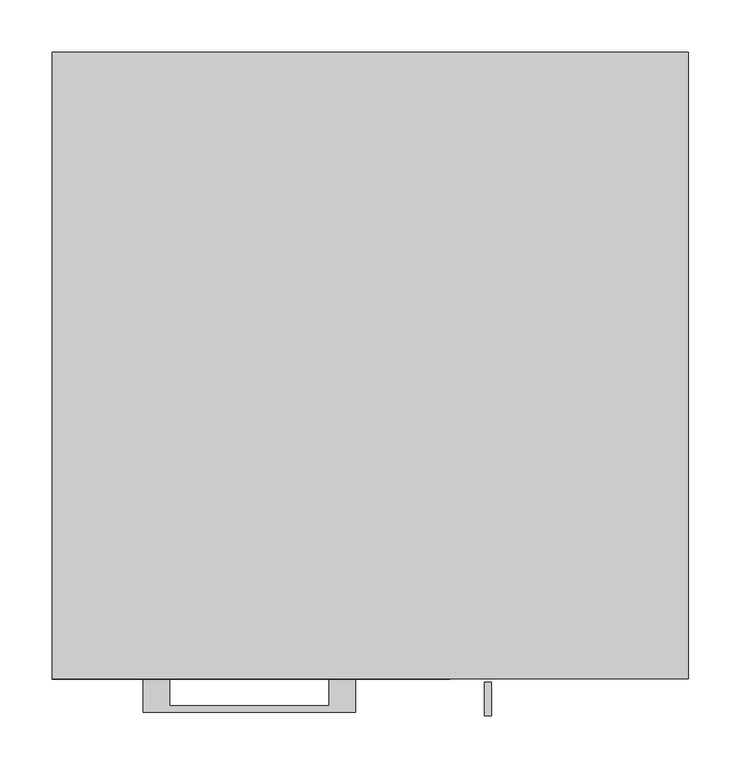
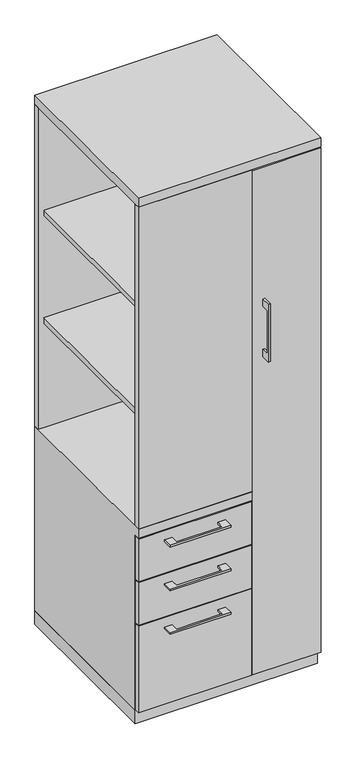
"""IFC4 building model written with IfcOpenShell, lengths in millimetres: furniture geometry."""

import ifcopenshell
import ifcopenshell.guid

model = None  # the IFC model being written
_history = None  # IfcOwnerHistory: only IFC2X3 demands one
_inside = {}  # id of a spatial element -> (the spatial element, [elements in it])
_under = {}  # id of a project, library or spatial element -> (it, [spatial elements below it])
_declared = {}  # id of a project -> (the project, [libraries it declares])
_typed = {}  # id of a type object -> (the type object, [elements of that type])
_made_of = {}  # id of a material, layer set ... -> (it, [elements and type objects made of it])


def new_model(schema):
    """Start an empty IFC model of exactly this schema.

    Asked for "IFC4X3", IfcOpenShell would pick the latest addendum, in which some entities
    have other attributes; the version numbers below select the first issue.
    IFC2X3 requires an IfcOwnerHistory on every rooted entity: one is made here for all.
    """
    global model, _history
    if schema == "IFC4X3":
        model = ifcopenshell.file(schema_version=(4, 3, 0, 0))
    else:
        model = ifcopenshell.file(schema=schema)
    _inside.clear()
    _under.clear()
    _declared.clear()
    _typed.clear()
    _made_of.clear()
    _history = None
    if model.schema == "IFC2X3":
        org = make("IfcOrganization", Name="unknown")
        user = make(
            "IfcPersonAndOrganization",
            ThePerson=make("IfcPerson", FamilyName="unknown"),
            TheOrganization=org,
        )
        app = make(
            "IfcApplication",
            ApplicationDeveloper=org,
            Version="unknown",
            ApplicationFullName="unknown",
            ApplicationIdentifier="unknown",
        )
        _history = make(
            "IfcOwnerHistory",
            OwningUser=user,
            OwningApplication=app,
            ChangeAction="ADDED",
            CreationDate=0,
        )
    return model


def make(cls, **values):
    """One entity of the class cls with the attributes given. An attribute that is None is left unset."""
    return model.create_entity(
        cls, **{name: value for name, value in values.items() if value is not None}
    )


def rooted(cls, **values):
    """An entity with a GlobalId (a new one), such as an element, a storey or a relation."""
    return make(cls, GlobalId=ifcopenshell.guid.new(), OwnerHistory=_history, **values)


def si_unit(unit_type, name, prefix=None):
    """IfcSIUnit, for example si_unit("LENGTHUNIT", "METRE", prefix="MILLI")."""
    return make("IfcSIUnit", UnitType=unit_type, Prefix=prefix, Name=name)


def assignment(units):
    """IfcUnitAssignment: the units of a project."""
    return None if units is None else make("IfcUnitAssignment", Units=units)


def point(xyz):
    """IfcCartesianPoint."""
    return None if xyz is None else make("IfcCartesianPoint", Coordinates=xyz)


def direction(xyz):
    """IfcDirection."""
    return None if xyz is None else make("IfcDirection", DirectionRatios=xyz)


def frame(location, z_axis=None, x_axis=None):
    """IfcAxis2Placement3D, a coordinate frame: its origin and axes. An axis left out is left unset."""
    return make(
        "IfcAxis2Placement3D",
        Location=point(location),
        Axis=direction(z_axis),
        RefDirection=direction(x_axis),
    )


def origin():
    """The frame at (0, 0, 0) with its axes left unset."""
    return frame((0.0, 0.0, 0.0))


def origin_with_axes():
    """The frame at (0, 0, 0) with the z axis (0, 0, 1) and the x axis (1, 0, 0) written out."""
    return frame((0.0, 0.0, 0.0), z_axis=(0.0, 0.0, 1.0), x_axis=(1.0, 0.0, 0.0))


def place(relative_to, where):
    """IfcLocalPlacement: puts the frame where relative to a parent placement (None: the world)."""
    return make(
        "IfcLocalPlacement", PlacementRelTo=relative_to, RelativePlacement=where
    )


def context(
    kind, dimensions, precision=None, world=None, true_north=None, identifier=None
):
    """IfcGeometricRepresentationContext, for example the 3D "Model" context."""
    return make(
        "IfcGeometricRepresentationContext",
        ContextIdentifier=identifier,
        ContextType=kind,
        CoordinateSpaceDimension=dimensions,
        Precision=precision,
        WorldCoordinateSystem=world,
        TrueNorth=true_north,
    )


def project(units=None, contexts=None):
    """IfcProject with its units and contexts."""
    return rooted(
        "IfcProject",
        Name="project",
        RepresentationContexts=contexts,
        UnitsInContext=assignment(units),
    )


def spatial(cls, under=None, at=None, **own):
    """A site, building, storey or space (cls), placed at a placement, below another one or the project."""
    s = rooted(cls, ObjectPlacement=at, **own)
    if under is not None:
        _under.setdefault(under.id(), (under, []))[1].append(s)
    return s


def polyline(points):
    """IfcPolyline through the points."""
    return make("IfcPolyline", Points=[point(p) for p in points])


def outline(outer, holes=None, kind="AREA"):
    """IfcArbitraryClosedProfileDef: a profile drawn as a closed curve; with holes, ...WithVoids."""
    if holes is None:
        return make("IfcArbitraryClosedProfileDef", ProfileType=kind, OuterCurve=outer)
    return make(
        "IfcArbitraryProfileDefWithVoids",
        ProfileType=kind,
        OuterCurve=outer,
        InnerCurves=holes,
    )


def extrude(swept, where, along, depth):
    """IfcExtrudedAreaSolid: the profile swept, set in the frame where, extruded along a direction by depth."""
    return make(
        "IfcExtrudedAreaSolid",
        SweptArea=swept,
        Position=where,
        ExtrudedDirection=direction(along),
        Depth=depth,
    )


def faces_of(points, faces, orient=None, outer=None):
    """IfcFace entities. A face is a list of loops; a loop is a list of indices into points, from 0.

    orient and outer hold one flag for each loop. By default every Orientation is true, the
    first loop of a face is its IfcFaceOuterBound and the others are IfcFaceBound.
    """
    made = []
    for i, loops in enumerate(faces):
        bounds = []
        for j, loop in enumerate(loops):
            is_outer = j == 0 if outer is None else outer[i][j]
            bounds.append(
                make(
                    "IfcFaceOuterBound" if is_outer else "IfcFaceBound",
                    Bound=make("IfcPolyLoop", Polygon=[points[k] for k in loop]),
                    Orientation=True if orient is None else orient[i][j],
                )
            )
        made.append(make("IfcFace", Bounds=bounds))
    return made


def faceted_brep(points, faces, orient=None, outer=None, voids=None):
    """IfcFacetedBrep: a solid bounded by flat faces; with voids (closed shells), ...WithVoids."""
    shared = [point(p) for p in points]
    hull = make("IfcClosedShell", CfsFaces=faces_of(shared, faces, orient, outer))
    if voids is None:
        return make("IfcFacetedBrep", Outer=hull)
    return make(
        "IfcFacetedBrepWithVoids",
        Outer=hull,
        Voids=[
            make(cls, CfsFaces=faces_of(shared, fs, o, b)) for cls, fs, o, b in voids
        ],
    )


def shape(context_of_items, identifier, shape_type, items):
    """IfcShapeRepresentation: the items that make up one representation, for example the "Body"."""
    return make(
        "IfcShapeRepresentation",
        ContextOfItems=context_of_items,
        RepresentationIdentifier=identifier,
        RepresentationType=shape_type,
        Items=items,
    )


def source(mapping_origin, context_of_items, identifier, shape_type, items):
    """IfcRepresentationMap: a shape defined once, which mapped items show again and again."""
    return make(
        "IfcRepresentationMap",
        MappingOrigin=mapping_origin,
        MappedRepresentation=shape(context_of_items, identifier, shape_type, items),
    )


def transform(
    local_origin,
    x_axis=None,
    y_axis=None,
    z_axis=None,
    scale=None,
    scale2=None,
    scale3=None,
    uniform=True,
):
    """IfcCartesianTransformationOperator3D, or its non-uniform kind. x_axis, y_axis, z_axis: its Axis1, 2, 3."""
    if uniform:
        return make(
            "IfcCartesianTransformationOperator3D",
            Axis1=direction(x_axis),
            Axis2=direction(y_axis),
            LocalOrigin=point(local_origin),
            Scale=scale,
            Axis3=direction(z_axis),
        )
    return make(
        "IfcCartesianTransformationOperator3DnonUniform",
        Axis1=direction(x_axis),
        Axis2=direction(y_axis),
        LocalOrigin=point(local_origin),
        Scale=scale,
        Axis3=direction(z_axis),
        Scale2=scale2,
        Scale3=scale3,
    )


def mapped(mapping_source, mapping_target):
    """IfcMappedItem: shows the shape of a source again, moved by a transform."""
    return make(
        "IfcMappedItem", MappingSource=mapping_source, MappingTarget=mapping_target
    )


def made_of(thing, what):
    """Note that an element or type object is made of a material, layer set ...; save() writes the relation."""
    if what is not None:
        _made_of.setdefault(what.id(), (what, []))[1].append(thing)
    return thing


def element(
    cls,
    number,
    at=None,
    inside=None,
    cuts=None,
    type_object=None,
    material=None,
    context=None,
    identifier="Body",
    shape_type=None,
    held_by="IfcProductDefinitionShape",
    body=None,
    shapes=None,
    **own,
):
    """One element of the class cls, such as IfcWall. Its Tag is "e" and its number.

    at: its placement. inside: the storey or other place that contains it. cuts: it is an
    opening in that element (IfcRelVoidsElement). A single representation is given by context,
    identifier, shape_type and body (its items); several are given by shapes. held_by: the class
    of the entity that holds the representations. save() writes the other relations.
    """
    e = rooted(cls, Tag="e%d" % number, ObjectPlacement=at, **own)
    if body is not None:
        shapes = [shape(context, identifier, shape_type, body)]
    if shapes is not None:
        e.Representation = make(held_by, Representations=shapes)
    if inside is not None:
        _inside.setdefault(inside.id(), (inside, []))[1].append(e)
    if cuts is not None:
        rooted(
            "IfcRelVoidsElement", RelatingBuildingElement=cuts, RelatedOpeningElement=e
        )
    if type_object is not None:
        _typed.setdefault(type_object.id(), (type_object, []))[1].append(e)
    return made_of(e, material)


def aggregate(whole, parts):
    """IfcRelAggregates: a whole, such as a stair, and the parts it consists of."""
    return rooted("IfcRelAggregates", RelatingObject=whole, RelatedObjects=parts)


def save(model, path):
    """Write the relations noted so far, then the file.

    IfcRelAggregates (storeys below a building ...), IfcRelContainedInSpatialStructure (elements
    in a storey), IfcRelDefinesByType, IfcRelAssociatesMaterial and IfcRelDeclares: one each for
    every whole, place, type object, material and project.
    """
    for whole, parts in _under.values():
        aggregate(whole, parts)
    for where, things in _inside.values():
        rooted(
            "IfcRelContainedInSpatialStructure",
            RelatedElements=things,
            RelatingStructure=where,
        )
    for kind, things in _typed.values():
        rooted("IfcRelDefinesByType", RelatedObjects=things, RelatingType=kind)
    for what, things in _made_of.values():
        rooted("IfcRelAssociatesMaterial", RelatedObjects=things, RelatingMaterial=what)
    for by, libraries in _declared.values():
        rooted("IfcRelDeclares", RelatingContext=by, RelatedDefinitions=libraries)
    model.write(path)


def furniture_f821ce84(model_context):
    return source(origin(), model_context, "Body", "SolidModel", [
        extrude(outline(polyline([(57.15, -579.4375), (-285.75, -579.4375), (-285.75, -17.4625), (57.15, -17.4625), (57.15, -579.4375)])), frame((0.0, 0.0, 1446.7416667), z_axis=(0.0, 0.0, 1.0), x_axis=(1.0, 0.0, 0.0)), (0.0, 0.0, 1.0), 19.05),
        extrude(outline(polyline([(-192.0874818, -600.075), (-192.0874818, -625.4749758), (-39.6875, -625.4749758), (-39.6875, -600.075), (-14.2875061, -600.075), (-14.2875061, -631.8249879), (-217.4874939, -631.8249879), (-217.4874939, -600.075), (-192.0874818, -600.075)])), frame((0.0, 0.0, 623.8875506), z_axis=(0.0, 0.0, 1.0), x_axis=(1.0, 0.0, 0.0)), (0.0, 0.0, 1.0), 6.3499758),
        extrude(outline(polyline([(73.025, -581.025), (73.025, -600.075), (-304.8, -600.075), (-304.8, -581.025), (73.025, -581.025)])), frame((0.0, 0.0, 512.7625), z_axis=(0.0, 0.0, 1.0), x_axis=(1.0, 0.0, 0.0)), (0.0, 0.0, 1.0), 150.8125),
        extrude(outline(polyline([(57.15, -581.025), (-285.75, -581.025), (-285.75, -19.05), (57.15, -19.05), (57.15, -581.025)])), frame((0.0, 0.0, 1067.8583333), z_axis=(0.0, 0.0, 1.0), x_axis=(1.0, 0.0, 0.0)), (0.0, 0.0, 1.0), 19.05),
        extrude(outline(polyline([(-192.0874818, -600.075), (-192.0874818, -625.4749758), (-39.6875, -625.4749758), (-39.6875, -600.075), (-14.2875061, -600.075), (-14.2875061, -631.8249879), (-217.4874939, -631.8249879), (-217.4874939, -600.075), (-192.0874818, -600.075)])), frame((0.0, 0.0, 469.9000506), z_axis=(0.0, 0.0, 1.0), x_axis=(1.0, 0.0, 0.0)), (0.0, 0.0, 1.0), 6.3499758),
        extrude(outline(polyline([(73.025, -581.025), (73.025, -600.075), (-304.8, -600.075), (-304.8, -581.025), (73.025, -581.025)])), frame((0.0, 0.0, 358.775), z_axis=(0.0, 0.0, 1.0), x_axis=(1.0, 0.0, 0.0)), (0.0, 0.0, 1.0), 150.8125),
        extrude(outline(polyline([(-603.25, 1343.025), (-628.6499758, 1343.025), (-628.6499758, 1190.625), (-603.25, 1190.625), (-603.25, 1165.225), (-634.9999879, 1165.225), (-634.9999879, 1368.425), (-603.25, 1368.425), (-603.25, 1343.025)])), frame((109.5375121, 0.0, 0.0), z_axis=(1.0, 0.0, 0.0), x_axis=(0.0, 1.0, 0.0)), (0.0, 0.0, 1.0), 6.3499758),
        extrude(outline(polyline([(304.8, -600.075), (76.2, -600.075), (76.2, -581.025), (304.8, -581.025), (304.8, -600.075)])), frame((0.0, 0.0, 50.8), z_axis=(0.0, 0.0, 1.0), x_axis=(1.0, 0.0, 0.0)), (0.0, 0.0, 1.0), 1781.175),
        extrude(outline(polyline([(-192.0874818, -600.075), (-192.0874818, -625.4749758), (-39.6875, -625.4749758), (-39.6875, -600.075), (-14.2875061, -600.075), (-14.2875061, -631.8249879), (-217.4874939, -631.8249879), (-217.4874939, -600.075), (-192.0874818, -600.075)])), frame((0.0, 0.0, 315.9125506), z_axis=(0.0, 0.0, 1.0), x_axis=(1.0, 0.0, 0.0)), (0.0, 0.0, 1.0), 6.3499758),
        extrude(outline(polyline([(73.025, -581.025), (73.025, -600.075), (-304.8, -600.075), (-304.8, -581.025), (73.025, -581.025)])), frame((0.0, 0.0, 50.8), z_axis=(0.0, 0.0, 1.0), x_axis=(1.0, 0.0, 0.0)), (0.0, 0.0, 1.0), 304.8),
        faceted_brep([(-304.8, -581.025, 47.625), (-304.8, 0.0, 47.625), (76.2, 0.0, 47.625), (76.2, -581.025, 47.625), (-304.8, 0.0, 698.5), (76.2, 0.0, 698.5), (-304.8, -581.025, 666.75), (-304.8, -600.075, 666.75), (-304.8, -600.075, 698.5), (76.2, -581.025, 666.75), (57.15, -581.025, 666.75), (76.2, -581.025, 1835.15), (57.15, -581.025, 1835.15), (57.15, -581.025, 698.5), (76.2, -581.025, 698.5), (76.2, -19.05, 698.5), (76.2, -19.05, 1835.15), (76.2, -600.075, 698.5), (76.2, -600.075, 666.75), (57.15, -19.05, 1835.15), (57.15, -19.05, 698.5)], [[[0, 1, 2, 3]], [[2, 1, 4, 5]], [[4, 1, 0, 6, 7, 8]], [[6, 0, 3, 9, 10]], [[11, 12, 13, 14]], [[2, 5, 15, 16, 11, 14, 17, 18, 9, 3]], [[16, 19, 12, 11]], [[19, 16, 15, 20]], [[12, 19, 20, 13]], [[5, 4, 8, 17, 14, 13, 20, 15]], [[18, 7, 6, 10, 9]], [[17, 8, 7, 18]]]),
        extrude(outline(polyline([(76.2, 0.0), (76.2, -19.05), (-304.8, -19.05), (-304.8, 0.0), (76.2, 0.0)])), frame((0.0, 0.0, 698.5), z_axis=(0.0, 0.0, 1.0), x_axis=(1.0, 0.0, 0.0)), (0.0, 0.0, 1.0), 1136.65),
        extrude(outline(polyline([(76.2, -600.075), (-304.8, -600.075), (-304.8, -581.025), (76.2, -581.025), (76.2, -600.075)])), frame((0.0, 0.0, 698.5), z_axis=(0.0, 0.0, 1.0), x_axis=(1.0, 0.0, 0.0)), (0.0, 0.0, 1.0), 1136.65),
        extrude(outline(polyline([(304.8, 0.0), (304.8, -581.025), (285.75, -581.025), (285.75, -19.05), (76.2, -19.05), (76.2, 0.0), (304.8, 0.0)])), frame((0.0, 0.0, 47.625), z_axis=(0.0, 0.0, 1.0), x_axis=(1.0, 0.0, 0.0)), (0.0, 0.0, 1.0), 1787.525),
        extrude(outline(polyline([(304.8, 0.0), (304.8, -600.075), (-304.8, -600.075), (-304.8, 0.0), (304.8, 0.0)])), frame((0.0, 0.0, 1835.15), z_axis=(0.0, 0.0, 1.0), x_axis=(1.0, 0.0, 0.0)), (0.0, 0.0, 1.0), 31.75),
        extrude(outline(polyline([(304.8, 0.0), (304.8, -581.025), (-304.8, -581.025), (-304.8, 0.0), (304.8, 0.0)])), origin_with_axes(), (0.0, 0.0, 1.0), 47.625),
    ])


if __name__ == "__main__":
    model = new_model("IFC4")
    model_context = context("Model", 3, world=origin())
    ifc_project = project(units=[si_unit("LENGTHUNIT", "METRE", prefix="MILLI")], contexts=[model_context])
    site = spatial("IfcSite", under=ifc_project)
    building = spatial("IfcBuilding", under=site)
    placement = place(None, origin())
    furniture_shape = furniture_f821ce84(model_context)
    element("IfcFurniture", 1, at=placement, inside=building, context=model_context, shape_type="MappedRepresentation", body=[
        mapped(furniture_shape, transform((0.0, 0.0, 0.0), x_axis=(1.0, 0.0, 0.0), y_axis=(0.0, 1.0, 0.0), z_axis=(0.0, 0.0, 1.0))),
    ])
    save(model, "model.ifc")
